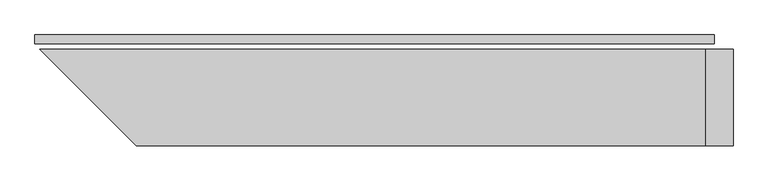
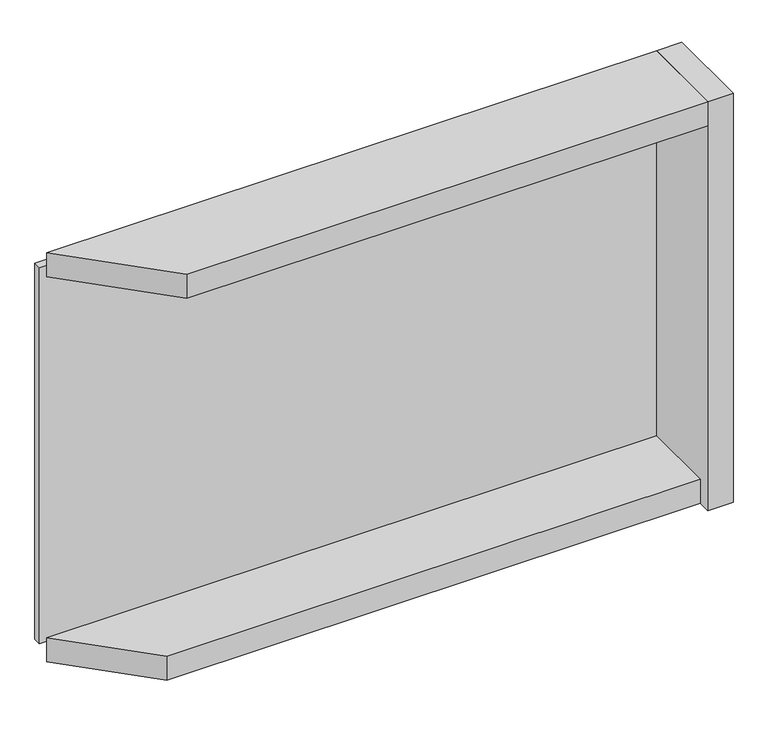
"""IFC4 building model written with IfcOpenShell, lengths in millimetres: plate geometry."""

import ifcopenshell
import ifcopenshell.guid

model = None  # the IFC model being written
_history = None  # IfcOwnerHistory: only IFC2X3 demands one
_inside = {}  # id of a spatial element -> (the spatial element, [elements in it])
_under = {}  # id of a project, library or spatial element -> (it, [spatial elements below it])
_declared = {}  # id of a project -> (the project, [libraries it declares])
_typed = {}  # id of a type object -> (the type object, [elements of that type])
_made_of = {}  # id of a material, layer set ... -> (it, [elements and type objects made of it])


def new_model(schema):
    """Start an empty IFC model of exactly this schema.

    Asked for "IFC4X3", IfcOpenShell would pick the latest addendum, in which some entities
    have other attributes; the version numbers below select the first issue.
    IFC2X3 requires an IfcOwnerHistory on every rooted entity: one is made here for all.
    """
    global model, _history
    if schema == "IFC4X3":
        model = ifcopenshell.file(schema_version=(4, 3, 0, 0))
    else:
        model = ifcopenshell.file(schema=schema)
    _inside.clear()
    _under.clear()
    _declared.clear()
    _typed.clear()
    _made_of.clear()
    _history = None
    if model.schema == "IFC2X3":
        org = make("IfcOrganization", Name="unknown")
        user = make(
            "IfcPersonAndOrganization",
            ThePerson=make("IfcPerson", FamilyName="unknown"),
            TheOrganization=org,
        )
        app = make(
            "IfcApplication",
            ApplicationDeveloper=org,
            Version="unknown",
            ApplicationFullName="unknown",
            ApplicationIdentifier="unknown",
        )
        _history = make(
            "IfcOwnerHistory",
            OwningUser=user,
            OwningApplication=app,
            ChangeAction="ADDED",
            CreationDate=0,
        )
    return model


def make(cls, **values):
    """One entity of the class cls with the attributes given. An attribute that is None is left unset."""
    return model.create_entity(
        cls, **{name: value for name, value in values.items() if value is not None}
    )


def rooted(cls, **values):
    """An entity with a GlobalId (a new one), such as an element, a storey or a relation."""
    return make(cls, GlobalId=ifcopenshell.guid.new(), OwnerHistory=_history, **values)


def si_unit(unit_type, name, prefix=None):
    """IfcSIUnit, for example si_unit("LENGTHUNIT", "METRE", prefix="MILLI")."""
    return make("IfcSIUnit", UnitType=unit_type, Prefix=prefix, Name=name)


def assignment(units):
    """IfcUnitAssignment: the units of a project."""
    return None if units is None else make("IfcUnitAssignment", Units=units)


def point(xyz):
    """IfcCartesianPoint."""
    return None if xyz is None else make("IfcCartesianPoint", Coordinates=xyz)


def direction(xyz):
    """IfcDirection."""
    return None if xyz is None else make("IfcDirection", DirectionRatios=xyz)


def frame(location, z_axis=None, x_axis=None):
    """IfcAxis2Placement3D, a coordinate frame: its origin and axes. An axis left out is left unset."""
    return make(
        "IfcAxis2Placement3D",
        Location=point(location),
        Axis=direction(z_axis),
        RefDirection=direction(x_axis),
    )


def origin():
    """The frame at (0, 0, 0) with its axes left unset."""
    return frame((0.0, 0.0, 0.0))


def origin_with_axes():
    """The frame at (0, 0, 0) with the z axis (0, 0, 1) and the x axis (1, 0, 0) written out."""
    return frame((0.0, 0.0, 0.0), z_axis=(0.0, 0.0, 1.0), x_axis=(1.0, 0.0, 0.0))


def place(relative_to, where):
    """IfcLocalPlacement: puts the frame where relative to a parent placement (None: the world)."""
    return make(
        "IfcLocalPlacement", PlacementRelTo=relative_to, RelativePlacement=where
    )


def context(
    kind, dimensions, precision=None, world=None, true_north=None, identifier=None
):
    """IfcGeometricRepresentationContext, for example the 3D "Model" context."""
    return make(
        "IfcGeometricRepresentationContext",
        ContextIdentifier=identifier,
        ContextType=kind,
        CoordinateSpaceDimension=dimensions,
        Precision=precision,
        WorldCoordinateSystem=world,
        TrueNorth=true_north,
    )


def project(units=None, contexts=None):
    """IfcProject with its units and contexts."""
    return rooted(
        "IfcProject",
        Name="project",
        RepresentationContexts=contexts,
        UnitsInContext=assignment(units),
    )


def spatial(cls, under=None, at=None, **own):
    """A site, building, storey or space (cls), placed at a placement, below another one or the project."""
    s = rooted(cls, ObjectPlacement=at, **own)
    if under is not None:
        _under.setdefault(under.id(), (under, []))[1].append(s)
    return s


def polyline(points):
    """IfcPolyline through the points."""
    return make("IfcPolyline", Points=[point(p) for p in points])


def outline(outer, holes=None, kind="AREA"):
    """IfcArbitraryClosedProfileDef: a profile drawn as a closed curve; with holes, ...WithVoids."""
    if holes is None:
        return make("IfcArbitraryClosedProfileDef", ProfileType=kind, OuterCurve=outer)
    return make(
        "IfcArbitraryProfileDefWithVoids",
        ProfileType=kind,
        OuterCurve=outer,
        InnerCurves=holes,
    )


def extrude(swept, where, along, depth):
    """IfcExtrudedAreaSolid: the profile swept, set in the frame where, extruded along a direction by depth."""
    return make(
        "IfcExtrudedAreaSolid",
        SweptArea=swept,
        Position=where,
        ExtrudedDirection=direction(along),
        Depth=depth,
    )


def shape(context_of_items, identifier, shape_type, items):
    """IfcShapeRepresentation: the items that make up one representation, for example the "Body"."""
    return make(
        "IfcShapeRepresentation",
        ContextOfItems=context_of_items,
        RepresentationIdentifier=identifier,
        RepresentationType=shape_type,
        Items=items,
    )


def source(mapping_origin, context_of_items, identifier, shape_type, items):
    """IfcRepresentationMap: a shape defined once, which mapped items show again and again."""
    return make(
        "IfcRepresentationMap",
        MappingOrigin=mapping_origin,
        MappedRepresentation=shape(context_of_items, identifier, shape_type, items),
    )


def transform(
    local_origin,
    x_axis=None,
    y_axis=None,
    z_axis=None,
    scale=None,
    scale2=None,
    scale3=None,
    uniform=True,
):
    """IfcCartesianTransformationOperator3D, or its non-uniform kind. x_axis, y_axis, z_axis: its Axis1, 2, 3."""
    if uniform:
        return make(
            "IfcCartesianTransformationOperator3D",
            Axis1=direction(x_axis),
            Axis2=direction(y_axis),
            LocalOrigin=point(local_origin),
            Scale=scale,
            Axis3=direction(z_axis),
        )
    return make(
        "IfcCartesianTransformationOperator3DnonUniform",
        Axis1=direction(x_axis),
        Axis2=direction(y_axis),
        LocalOrigin=point(local_origin),
        Scale=scale,
        Axis3=direction(z_axis),
        Scale2=scale2,
        Scale3=scale3,
    )


def mapped(mapping_source, mapping_target):
    """IfcMappedItem: shows the shape of a source again, moved by a transform."""
    return make(
        "IfcMappedItem", MappingSource=mapping_source, MappingTarget=mapping_target
    )


def made_of(thing, what):
    """Note that an element or type object is made of a material, layer set ...; save() writes the relation."""
    if what is not None:
        _made_of.setdefault(what.id(), (what, []))[1].append(thing)
    return thing


def element(
    cls,
    number,
    at=None,
    inside=None,
    cuts=None,
    type_object=None,
    material=None,
    context=None,
    identifier="Body",
    shape_type=None,
    held_by="IfcProductDefinitionShape",
    body=None,
    shapes=None,
    **own,
):
    """One element of the class cls, such as IfcWall. Its Tag is "e" and its number.

    at: its placement. inside: the storey or other place that contains it. cuts: it is an
    opening in that element (IfcRelVoidsElement). A single representation is given by context,
    identifier, shape_type and body (its items); several are given by shapes. held_by: the class
    of the entity that holds the representations. save() writes the other relations.
    """
    e = rooted(cls, Tag="e%d" % number, ObjectPlacement=at, **own)
    if body is not None:
        shapes = [shape(context, identifier, shape_type, body)]
    if shapes is not None:
        e.Representation = make(held_by, Representations=shapes)
    if inside is not None:
        _inside.setdefault(inside.id(), (inside, []))[1].append(e)
    if cuts is not None:
        rooted(
            "IfcRelVoidsElement", RelatingBuildingElement=cuts, RelatedOpeningElement=e
        )
    if type_object is not None:
        _typed.setdefault(type_object.id(), (type_object, []))[1].append(e)
    return made_of(e, material)


def aggregate(whole, parts):
    """IfcRelAggregates: a whole, such as a stair, and the parts it consists of."""
    return rooted("IfcRelAggregates", RelatingObject=whole, RelatedObjects=parts)


def save(model, path):
    """Write the relations noted so far, then the file.

    IfcRelAggregates (storeys below a building ...), IfcRelContainedInSpatialStructure (elements
    in a storey), IfcRelDefinesByType, IfcRelAssociatesMaterial and IfcRelDeclares: one each for
    every whole, place, type object, material and project.
    """
    for whole, parts in _under.values():
        aggregate(whole, parts)
    for where, things in _inside.values():
        rooted(
            "IfcRelContainedInSpatialStructure",
            RelatedElements=things,
            RelatingStructure=where,
        )
    for kind, things in _typed.values():
        rooted("IfcRelDefinesByType", RelatedObjects=things, RelatingType=kind)
    for what, things in _made_of.values():
        rooted("IfcRelAssociatesMaterial", RelatedObjects=things, RelatingMaterial=what)
    for by, libraries in _declared.values():
        rooted("IfcRelDeclares", RelatingContext=by, RelatedDefinitions=libraries)
    model.write(path)


def plate_9a02edcd(model_context):
    return source(origin(), model_context, "Body", "SweptSolid", [
        extrude(outline(polyline([(981.5, 0.0), (981.5, -25.0), (-981.5, -25.0), (-981.5, 0.0), (981.5, 0.0)])), origin_with_axes(), (0.0, 0.0, 1.0), 1254.465707),
        extrude(outline(polyline([(956.5, -281.0), (-727.9314575, -281.0), (-967.9314575, -41.0), (956.5, -41.0), (956.5, -281.0)])), frame((0.0, 0.0, -55.0), z_axis=(0.0, 0.0, 1.0), x_axis=(1.0, 0.0, 0.0)), (0.0, 0.0, 1.0), 80.0),
        extrude(outline(polyline([(956.5, -321.0), (-687.9314575, -321.0), (-967.9314575, -41.0), (956.5, -41.0), (956.5, -321.0)])), frame((0.0, 0.0, 1229.465707), z_axis=(0.0, 0.0, 1.0), x_axis=(1.0, 0.0, 0.0)), (0.0, 0.0, 1.0), 80.0),
        extrude(outline(polyline([(1036.5, -41.0), (1036.5, -321.0), (956.5, -321.0), (956.5, -41.0), (1036.5, -41.0)])), frame((0.0, 0.0, -55.0), z_axis=(0.0, 0.0, 1.0), x_axis=(1.0, 0.0, 0.0)), (0.0, 0.0, 1.0), 1364.465707),
    ])


if __name__ == "__main__":
    model = new_model("IFC4")
    model_context = context("Model", 3, world=origin())
    ifc_project = project(units=[si_unit("LENGTHUNIT", "METRE", prefix="MILLI")], contexts=[model_context])
    site = spatial("IfcSite", under=ifc_project)
    building = spatial("IfcBuilding", under=site)
    placement = place(None, origin())
    plate_shape = plate_9a02edcd(model_context)
    element("IfcPlate", 1, at=placement, inside=building, context=model_context, shape_type="MappedRepresentation", body=[
        mapped(plate_shape, transform((0.0, 0.0, 0.0), x_axis=(1.0, 0.0, 0.0), y_axis=(0.0, 1.0, 0.0), z_axis=(0.0, 0.0, 1.0))),
    ])
    save(model, "model.ifc")
